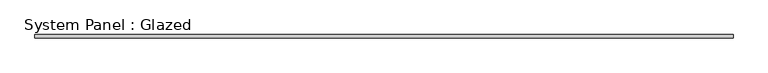
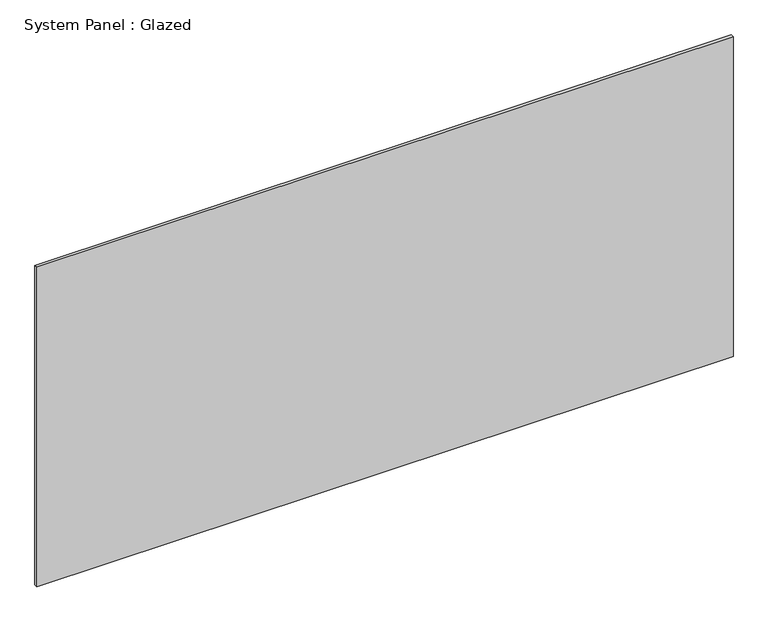
"""IFC4 building model written with IfcOpenShell, lengths in millimetres: plate geometry, System Panel : Glazed."""

import ifcopenshell
import ifcopenshell.guid

model = None  # the IFC model being written
_history = None  # IfcOwnerHistory: only IFC2X3 demands one
_inside = {}  # id of a spatial element -> (the spatial element, [elements in it])
_under = {}  # id of a project, library or spatial element -> (it, [spatial elements below it])
_declared = {}  # id of a project -> (the project, [libraries it declares])
_typed = {}  # id of a type object -> (the type object, [elements of that type])
_made_of = {}  # id of a material, layer set ... -> (it, [elements and type objects made of it])


def new_model(schema):
    """Start an empty IFC model of exactly this schema.

    Asked for "IFC4X3", IfcOpenShell would pick the latest addendum, in which some entities
    have other attributes; the version numbers below select the first issue.
    IFC2X3 requires an IfcOwnerHistory on every rooted entity: one is made here for all.
    """
    global model, _history
    if schema == "IFC4X3":
        model = ifcopenshell.file(schema_version=(4, 3, 0, 0))
    else:
        model = ifcopenshell.file(schema=schema)
    _inside.clear()
    _under.clear()
    _declared.clear()
    _typed.clear()
    _made_of.clear()
    _history = None
    if model.schema == "IFC2X3":
        org = make("IfcOrganization", Name="unknown")
        user = make(
            "IfcPersonAndOrganization",
            ThePerson=make("IfcPerson", FamilyName="unknown"),
            TheOrganization=org,
        )
        app = make(
            "IfcApplication",
            ApplicationDeveloper=org,
            Version="unknown",
            ApplicationFullName="unknown",
            ApplicationIdentifier="unknown",
        )
        _history = make(
            "IfcOwnerHistory",
            OwningUser=user,
            OwningApplication=app,
            ChangeAction="ADDED",
            CreationDate=0,
        )
    return model


def make(cls, **values):
    """One entity of the class cls with the attributes given. An attribute that is None is left unset."""
    return model.create_entity(
        cls, **{name: value for name, value in values.items() if value is not None}
    )


def rooted(cls, **values):
    """An entity with a GlobalId (a new one), such as an element, a storey or a relation."""
    return make(cls, GlobalId=ifcopenshell.guid.new(), OwnerHistory=_history, **values)


def si_unit(unit_type, name, prefix=None):
    """IfcSIUnit, for example si_unit("LENGTHUNIT", "METRE", prefix="MILLI")."""
    return make("IfcSIUnit", UnitType=unit_type, Prefix=prefix, Name=name)


def assignment(units):
    """IfcUnitAssignment: the units of a project."""
    return None if units is None else make("IfcUnitAssignment", Units=units)


def point(xyz):
    """IfcCartesianPoint."""
    return None if xyz is None else make("IfcCartesianPoint", Coordinates=xyz)


def direction(xyz):
    """IfcDirection."""
    return None if xyz is None else make("IfcDirection", DirectionRatios=xyz)


def frame(location, z_axis=None, x_axis=None):
    """IfcAxis2Placement3D, a coordinate frame: its origin and axes. An axis left out is left unset."""
    return make(
        "IfcAxis2Placement3D",
        Location=point(location),
        Axis=direction(z_axis),
        RefDirection=direction(x_axis),
    )


def origin():
    """The frame at (0, 0, 0) with its axes left unset."""
    return frame((0.0, 0.0, 0.0))


def origin_with_axes():
    """The frame at (0, 0, 0) with the z axis (0, 0, 1) and the x axis (1, 0, 0) written out."""
    return frame((0.0, 0.0, 0.0), z_axis=(0.0, 0.0, 1.0), x_axis=(1.0, 0.0, 0.0))


def place(relative_to, where):
    """IfcLocalPlacement: puts the frame where relative to a parent placement (None: the world)."""
    return make(
        "IfcLocalPlacement", PlacementRelTo=relative_to, RelativePlacement=where
    )


def context(
    kind, dimensions, precision=None, world=None, true_north=None, identifier=None
):
    """IfcGeometricRepresentationContext, for example the 3D "Model" context."""
    return make(
        "IfcGeometricRepresentationContext",
        ContextIdentifier=identifier,
        ContextType=kind,
        CoordinateSpaceDimension=dimensions,
        Precision=precision,
        WorldCoordinateSystem=world,
        TrueNorth=true_north,
    )


def project(units=None, contexts=None):
    """IfcProject with its units and contexts."""
    return rooted(
        "IfcProject",
        Name="project",
        RepresentationContexts=contexts,
        UnitsInContext=assignment(units),
    )


def spatial(cls, under=None, at=None, **own):
    """A site, building, storey or space (cls), placed at a placement, below another one or the project."""
    s = rooted(cls, ObjectPlacement=at, **own)
    if under is not None:
        _under.setdefault(under.id(), (under, []))[1].append(s)
    return s


def polyline(points):
    """IfcPolyline through the points."""
    return make("IfcPolyline", Points=[point(p) for p in points])


def outline(outer, holes=None, kind="AREA"):
    """IfcArbitraryClosedProfileDef: a profile drawn as a closed curve; with holes, ...WithVoids."""
    if holes is None:
        return make("IfcArbitraryClosedProfileDef", ProfileType=kind, OuterCurve=outer)
    return make(
        "IfcArbitraryProfileDefWithVoids",
        ProfileType=kind,
        OuterCurve=outer,
        InnerCurves=holes,
    )


def extrude(swept, where, along, depth):
    """IfcExtrudedAreaSolid: the profile swept, set in the frame where, extruded along a direction by depth."""
    return make(
        "IfcExtrudedAreaSolid",
        SweptArea=swept,
        Position=where,
        ExtrudedDirection=direction(along),
        Depth=depth,
    )


def shape(context_of_items, identifier, shape_type, items):
    """IfcShapeRepresentation: the items that make up one representation, for example the "Body"."""
    return make(
        "IfcShapeRepresentation",
        ContextOfItems=context_of_items,
        RepresentationIdentifier=identifier,
        RepresentationType=shape_type,
        Items=items,
    )


def source(mapping_origin, context_of_items, identifier, shape_type, items):
    """IfcRepresentationMap: a shape defined once, which mapped items show again and again."""
    return make(
        "IfcRepresentationMap",
        MappingOrigin=mapping_origin,
        MappedRepresentation=shape(context_of_items, identifier, shape_type, items),
    )


def transform(
    local_origin,
    x_axis=None,
    y_axis=None,
    z_axis=None,
    scale=None,
    scale2=None,
    scale3=None,
    uniform=True,
):
    """IfcCartesianTransformationOperator3D, or its non-uniform kind. x_axis, y_axis, z_axis: its Axis1, 2, 3."""
    if uniform:
        return make(
            "IfcCartesianTransformationOperator3D",
            Axis1=direction(x_axis),
            Axis2=direction(y_axis),
            LocalOrigin=point(local_origin),
            Scale=scale,
            Axis3=direction(z_axis),
        )
    return make(
        "IfcCartesianTransformationOperator3DnonUniform",
        Axis1=direction(x_axis),
        Axis2=direction(y_axis),
        LocalOrigin=point(local_origin),
        Scale=scale,
        Axis3=direction(z_axis),
        Scale2=scale2,
        Scale3=scale3,
    )


def mapped(mapping_source, mapping_target):
    """IfcMappedItem: shows the shape of a source again, moved by a transform."""
    return make(
        "IfcMappedItem", MappingSource=mapping_source, MappingTarget=mapping_target
    )


def made_of(thing, what):
    """Note that an element or type object is made of a material, layer set ...; save() writes the relation."""
    if what is not None:
        _made_of.setdefault(what.id(), (what, []))[1].append(thing)
    return thing


def element(
    cls,
    number,
    at=None,
    inside=None,
    cuts=None,
    type_object=None,
    material=None,
    context=None,
    identifier="Body",
    shape_type=None,
    held_by="IfcProductDefinitionShape",
    body=None,
    shapes=None,
    **own,
):
    """One element of the class cls, such as IfcWall. Its Tag is "e" and its number.

    at: its placement. inside: the storey or other place that contains it. cuts: it is an
    opening in that element (IfcRelVoidsElement). A single representation is given by context,
    identifier, shape_type and body (its items); several are given by shapes. held_by: the class
    of the entity that holds the representations. save() writes the other relations.
    """
    e = rooted(cls, Tag="e%d" % number, ObjectPlacement=at, **own)
    if body is not None:
        shapes = [shape(context, identifier, shape_type, body)]
    if shapes is not None:
        e.Representation = make(held_by, Representations=shapes)
    if inside is not None:
        _inside.setdefault(inside.id(), (inside, []))[1].append(e)
    if cuts is not None:
        rooted(
            "IfcRelVoidsElement", RelatingBuildingElement=cuts, RelatedOpeningElement=e
        )
    if type_object is not None:
        _typed.setdefault(type_object.id(), (type_object, []))[1].append(e)
    return made_of(e, material)


def aggregate(whole, parts):
    """IfcRelAggregates: a whole, such as a stair, and the parts it consists of."""
    return rooted("IfcRelAggregates", RelatingObject=whole, RelatedObjects=parts)


def save(model, path):
    """Write the relations noted so far, then the file.

    IfcRelAggregates (storeys below a building ...), IfcRelContainedInSpatialStructure (elements
    in a storey), IfcRelDefinesByType, IfcRelAssociatesMaterial and IfcRelDeclares: one each for
    every whole, place, type object, material and project.
    """
    for whole, parts in _under.values():
        aggregate(whole, parts)
    for where, things in _inside.values():
        rooted(
            "IfcRelContainedInSpatialStructure",
            RelatedElements=things,
            RelatingStructure=where,
        )
    for kind, things in _typed.values():
        rooted("IfcRelDefinesByType", RelatedObjects=things, RelatingType=kind)
    for what, things in _made_of.values():
        rooted("IfcRelAssociatesMaterial", RelatedObjects=things, RelatingMaterial=what)
    for by, libraries in _declared.values():
        rooted("IfcRelDeclares", RelatingContext=by, RelatedDefinitions=libraries)
    model.write(path)


def system_panel_glazed_b828f79f(model_context):
    return source(origin(), model_context, "Body", "SweptSolid", [
        extrude(outline(polyline([(2745.0000002, 24.5), (-2745.0000002, 24.5), (-2745.0000002, 49.5), (2745.0000002, 49.5), (2745.0000002, 24.5)])), origin_with_axes(), (0.0, 0.0, 1.0), 2666.6666667),
    ])


if __name__ == "__main__":
    model = new_model("IFC4")
    model_context = context("Model", 3, world=origin())
    ifc_project = project(units=[si_unit("LENGTHUNIT", "METRE", prefix="MILLI")], contexts=[model_context])
    site = spatial("IfcSite", under=ifc_project)
    building = spatial("IfcBuilding", under=site)
    placement = place(None, origin())
    system_panel_glazed_shape = system_panel_glazed_b828f79f(model_context)
    element("IfcPlate", 1, ObjectType="System Panel : Glazed", at=placement, inside=building, context=model_context, shape_type="MappedRepresentation", body=[
        mapped(system_panel_glazed_shape, transform((0.0, 0.0, 0.0), x_axis=(1.0, 0.0, 0.0), y_axis=(0.0, 1.0, 0.0), z_axis=(0.0, 0.0, 1.0))),
    ])
    save(model, "model.ifc")
